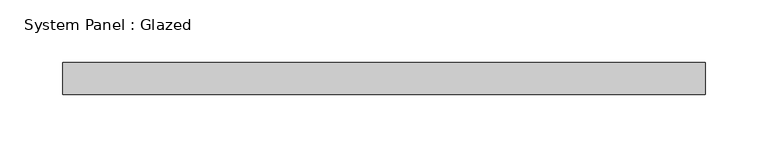
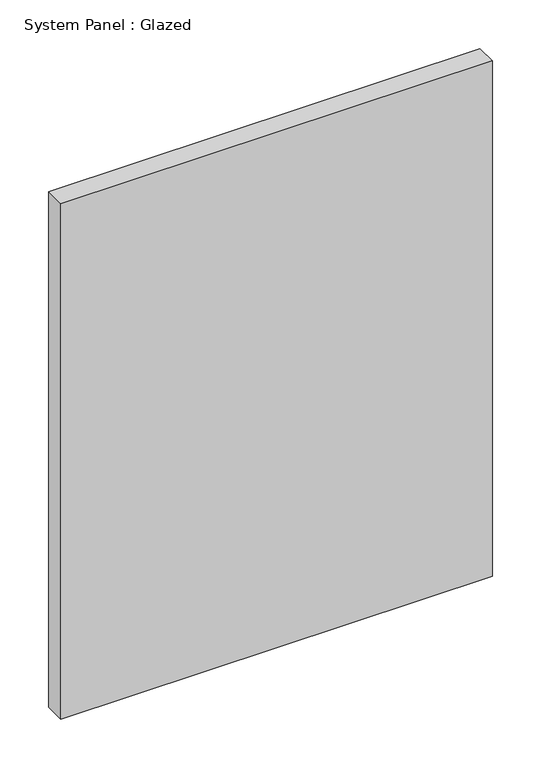
"""IFC4 building model written with IfcOpenShell, lengths in millimetres: plate geometry, System Panel : Glazed."""

from ifc_helpers import new_model, si_unit, origin, origin_with_axes, place, context, project, spatial, polyline, outline, extrude, source, transform, mapped, element, save


def system_panel_glazed_4efb559b(model_context):
    return source(origin(), model_context, "Body", "SweptSolid", [
        extrude(outline(polyline([(256.3812498, 19.05), (-256.3812498, 19.05), (-256.3812498, 44.45), (256.3812498, 44.45), (256.3812498, 19.05)])), origin_with_axes(), (0.0, 0.0, 1.0), 647.7),
    ])


if __name__ == "__main__":
    model = new_model("IFC4")
    model_context = context("Model", 3, world=origin())
    ifc_project = project(units=[si_unit("LENGTHUNIT", "METRE", prefix="MILLI")], contexts=[model_context])
    site = spatial("IfcSite", under=ifc_project)
    building = spatial("IfcBuilding", under=site)
    placement = place(None, origin())
    system_panel_glazed_shape = system_panel_glazed_4efb559b(model_context)
    element("IfcPlate", 1, ObjectType="System Panel : Glazed", at=placement, inside=building, context=model_context, shape_type="MappedRepresentation", body=[
        mapped(system_panel_glazed_shape, transform((0.0, 0.0, 0.0), x_axis=(1.0, 0.0, 0.0), y_axis=(0.0, 1.0, 0.0), z_axis=(0.0, 0.0, 1.0))),
    ])
    save(model, "model.ifc")
